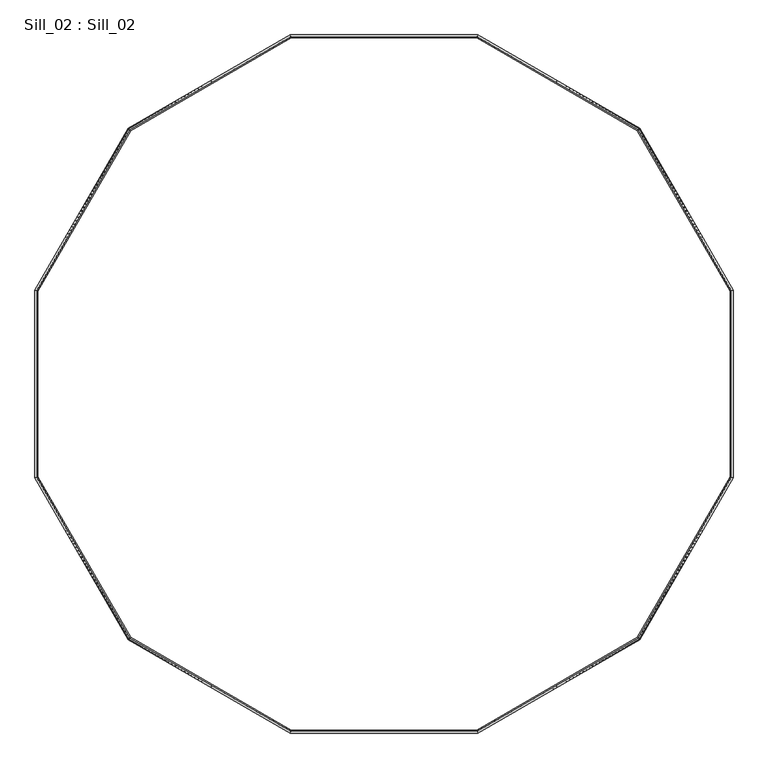
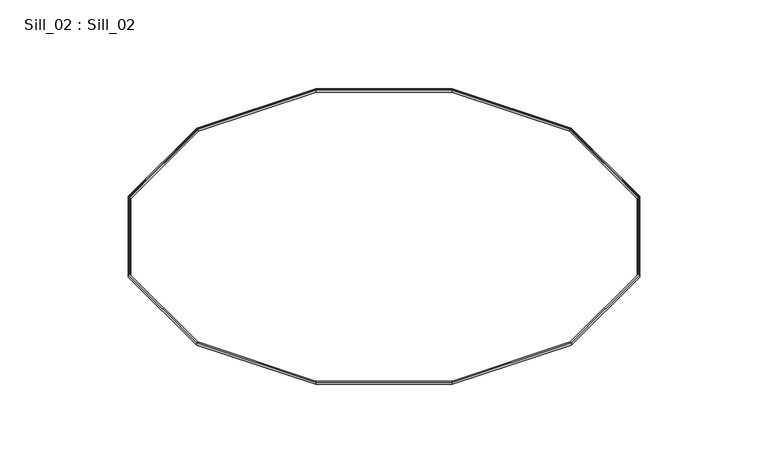
"""IFC4 building model written with IfcOpenShell, lengths in millimetres: proxy geometry, Sill_02 : Sill_02."""

from ifc_helpers import new_model, si_unit, origin, place, context, project, spatial, faceted_brep, source, transform, mapped, element, save


def sill_02_sill_02_0bf58cab(model_context):
    return source(origin(), model_context, "Body", "Brep", [
        faceted_brep([(9762.5163466, 10756.5888744, -2.4637485), (9762.5163466, 10756.5888744, -107.5866884), (5390.5852311, 8232.453268, -107.5866884), (5390.5852311, 8232.453268, -2.4637485), (9774.4734994, 10711.9641726, 14.0246943), (5423.2527801, 8199.785719, 14.0246943), (9775.5493293, 10707.9491206, 1.9760696), (5426.1920021, 8196.8464969, 1.9760696), (9767.4782812, 10738.0706824, -8.0615603), (5404.1414884, 8218.8970106, -8.0615603), (9769.9203975, 10728.95658, -35.4117417), (5410.8134745, 8212.2250246, -35.4117417), (9774.7612359, 10710.8903254, -29.3913906), (5424.0388908, 8198.9996083, -29.3913906), (9775.0969491, 10709.6374267, -33.1511693), (5424.9560763, 8198.0824228, -33.1511693), (9777.5199299, 10700.5947392, -30.1378079), (5431.5757829, 8191.4627161, -30.1378079), (9783.0432041, 10679.9815994, -91.9950363), (5446.6656486, 8176.3728504, -91.9950363), (9770.5062829, 10726.7700263, -107.5866884), (5412.4141429, 8210.6243561, -107.5866884), (2866.4496247, 3860.5221524, -107.5866884), (2866.4496247, 3860.5221524, -2.4637485), (2911.0743264, 3848.5649996, 14.0246943), (2915.0893784, 3847.4891697, 1.9760696), (2884.9678166, 3855.5602179, -8.0615603), (2894.081919, 3853.1181015, -35.4117417), (2912.1481736, 3848.2772632, -29.3913906), (2913.4010724, 3847.94155, -33.1511693), (2922.4437598, 3845.5185692, -30.1378079), (2943.0568996, 3839.995295, -91.9950363), (2896.2684727, 3852.5322162, -107.5866884), (2866.4496247, -1187.7490604, -107.5866884), (2866.4496247, -1187.7490604, -2.4637485), (2911.0743264, -1175.7919076, 14.0246943), (2915.0893784, -1174.7160777, 1.9760696), (2884.9678166, -1182.7871258, -8.0615603), (2894.081919, -1180.3450094, -35.4117417), (2912.1481736, -1175.5041711, -29.3913906), (2913.4010724, -1175.1684579, -33.1511693), (2922.4437598, -1172.7454771, -30.1378079), (2943.0568996, -1167.2222029, -91.9950363), (2896.2684727, -1179.7591241, -107.5866884), (5390.5852311, -5559.6801759, -107.5866884), (5390.5852311, -5559.6801759, -2.4637485), (5423.2527801, -5527.0126269, 14.0246943), (5426.1920021, -5524.0734049, 1.9760696), (5404.1414884, -5546.1239185, -8.0615603), (5410.8134745, -5539.4519325, -35.4117417), (5424.0388908, -5526.2265162, -29.3913906), (5424.9560763, -5525.3093307, -33.1511693), (5431.5757829, -5518.689624, -30.1378079), (5446.6656486, -5503.5997584, -91.9950363), (5412.4141429, -5537.8512641, -107.5866884), (9762.5163466, -8083.8157823, -107.5866884), (9762.5163466, -8083.8157823, -2.4637485), (9774.4734994, -8039.1910805, 14.0246943), (9775.5493293, -8035.1760286, 1.9760696), (9767.4782812, -8065.2975904, -8.0615603), (9769.9203975, -8056.183488, -35.4117417), (9774.7612359, -8038.1172334, -29.3913906), (9775.0969491, -8036.8643346, -33.1511693), (9777.5199299, -8027.8216472, -30.1378079), (9783.0432041, -8007.2085073, -91.9950363), (9770.5062829, -8053.9969342, -107.5866884), (14810.7875594, -8083.8157823, -107.5866884), (14810.7875594, -8083.8157823, -2.4637485), (14798.8304066, -8039.1910805, 14.0246943), (14797.7545767, -8035.1760286, 1.9760696), (14805.8256249, -8065.2975904, -8.0615603), (14803.3835085, -8056.183488, -35.4117417), (14798.5426701, -8038.1172334, -29.3913906), (14798.2069569, -8036.8643346, -33.1511693), (14795.7839761, -8027.8216472, -30.1378079), (14790.260702, -8007.2085073, -91.9950363), (14802.7976232, -8053.9969342, -107.5866884), (19182.7186749, -5559.6801759, -107.5866884), (19182.7186749, -5559.6801759, -2.4637485), (19150.051126, -5527.0126269, 14.0246943), (19147.1119039, -5524.0734049, 1.9760696), (19169.1624176, -5546.1239185, -8.0615603), (19162.4904316, -5539.4519325, -35.4117417), (19149.2650153, -5526.2265162, -29.3913906), (19148.3478297, -5525.3093307, -33.1511693), (19141.7281231, -5518.689624, -30.1378079), (19126.6382574, -5503.5997584, -91.9950363), (19160.8897631, -5537.8512641, -107.5866884), (21706.8542814, -1187.7490604, -107.5866884), (21706.8542814, -1187.7490604, -2.4637485), (21662.2295796, -1175.7919076, 14.0246943), (21658.2145276, -1174.7160777, 1.9760696), (21688.3360894, -1182.7871258, -8.0615603), (21679.221987, -1180.3450094, -35.4117417), (21661.1557324, -1175.5041711, -29.3913906), (21659.9028337, -1175.1684579, -33.1511693), (21650.8601462, -1172.7454771, -30.1378079), (21630.2470064, -1167.2222029, -91.9950363), (21677.0354333, -1179.7591241, -107.5866884), (21706.8542814, 3860.5221524, -107.5866884), (21706.8542814, 3860.5221524, -2.4637485), (21662.2295796, 3848.5649996, 14.0246943), (21658.2145276, 3847.4891697, 1.9760696), (21688.3360894, 3855.5602179, -8.0615603), (21679.221987, 3853.1181015, -35.4117417), (21661.1557324, 3848.2772632, -29.3913906), (21659.9028337, 3847.94155, -33.1511693), (21650.8601462, 3845.5185692, -30.1378079), (21630.2470064, 3839.995295, -91.9950363), (21677.0354333, 3852.5322162, -107.5866884), (19182.7186749, 8232.453268, -107.5866884), (19182.7186749, 8232.453268, -2.4637485), (19150.051126, 8199.785719, 14.0246943), (19147.1119039, 8196.8464969, 1.9760696), (19169.1624176, 8218.8970106, -8.0615603), (19162.4904316, 8212.2250246, -35.4117417), (19149.2650153, 8198.9996083, -29.3913906), (19148.3478297, 8198.0824228, -33.1511693), (19141.7281231, 8191.4627161, -30.1378079), (19126.6382574, 8176.3728504, -91.9950363), (19160.8897631, 8210.6243561, -107.5866884), (14810.7875594, 10756.5888744, -107.5866884), (14810.7875594, 10756.5888744, -2.4637485), (14798.8304066, 10711.9641726, 14.0246943), (14797.7545767, 10707.9491206, 1.9760696), (14805.8256249, 10738.0706824, -8.0615603), (14803.3835085, 10728.95658, -35.4117417), (14798.5426701, 10710.8903254, -29.3913906), (14798.2069569, 10709.6374267, -33.1511693), (14795.7839761, 10700.5947392, -30.1378079), (14790.260702, 10679.9815994, -91.9950363), (14802.7976232, 10726.7700263, -107.5866884)], [[[0, 1, 2, 3]], [[4, 0, 3, 5]], [[6, 4, 5, 7]], [[8, 6, 7, 9]], [[10, 8, 9, 11]], [[12, 10, 11, 13]], [[14, 12, 13, 15]], [[16, 14, 15, 17]], [[18, 16, 17, 19]], [[20, 18, 19, 21]], [[3, 2, 22, 23]], [[5, 3, 23, 24]], [[7, 5, 24, 25]], [[9, 7, 25, 26]], [[11, 9, 26, 27]], [[13, 11, 27, 28]], [[15, 13, 28, 29]], [[17, 15, 29, 30]], [[19, 17, 30, 31]], [[21, 19, 31, 32]], [[23, 22, 33, 34]], [[24, 23, 34, 35]], [[25, 24, 35, 36]], [[26, 25, 36, 37]], [[27, 26, 37, 38]], [[28, 27, 38, 39]], [[29, 28, 39, 40]], [[30, 29, 40, 41]], [[31, 30, 41, 42]], [[32, 31, 42, 43]], [[34, 33, 44, 45]], [[35, 34, 45, 46]], [[36, 35, 46, 47]], [[37, 36, 47, 48]], [[38, 37, 48, 49]], [[39, 38, 49, 50]], [[40, 39, 50, 51]], [[41, 40, 51, 52]], [[42, 41, 52, 53]], [[43, 42, 53, 54]], [[45, 44, 55, 56]], [[46, 45, 56, 57]], [[47, 46, 57, 58]], [[48, 47, 58, 59]], [[49, 48, 59, 60]], [[50, 49, 60, 61]], [[51, 50, 61, 62]], [[52, 51, 62, 63]], [[53, 52, 63, 64]], [[54, 53, 64, 65]], [[56, 55, 66, 67]], [[57, 56, 67, 68]], [[58, 57, 68, 69]], [[59, 58, 69, 70]], [[60, 59, 70, 71]], [[61, 60, 71, 72]], [[62, 61, 72, 73]], [[63, 62, 73, 74]], [[64, 63, 74, 75]], [[65, 64, 75, 76]], [[67, 66, 77, 78]], [[68, 67, 78, 79]], [[69, 68, 79, 80]], [[70, 69, 80, 81]], [[71, 70, 81, 82]], [[72, 71, 82, 83]], [[73, 72, 83, 84]], [[74, 73, 84, 85]], [[75, 74, 85, 86]], [[76, 75, 86, 87]], [[78, 77, 88, 89]], [[79, 78, 89, 90]], [[80, 79, 90, 91]], [[81, 80, 91, 92]], [[82, 81, 92, 93]], [[83, 82, 93, 94]], [[84, 83, 94, 95]], [[85, 84, 95, 96]], [[86, 85, 96, 97]], [[87, 86, 97, 98]], [[89, 88, 99, 100]], [[90, 89, 100, 101]], [[91, 90, 101, 102]], [[92, 91, 102, 103]], [[93, 92, 103, 104]], [[94, 93, 104, 105]], [[95, 94, 105, 106]], [[96, 95, 106, 107]], [[97, 96, 107, 108]], [[98, 97, 108, 109]], [[100, 99, 110, 111]], [[101, 100, 111, 112]], [[102, 101, 112, 113]], [[103, 102, 113, 114]], [[104, 103, 114, 115]], [[105, 104, 115, 116]], [[106, 105, 116, 117]], [[107, 106, 117, 118]], [[108, 107, 118, 119]], [[109, 108, 119, 120]], [[111, 110, 121, 122]], [[112, 111, 122, 123]], [[113, 112, 123, 124]], [[114, 113, 124, 125]], [[115, 114, 125, 126]], [[116, 115, 126, 127]], [[117, 116, 127, 128]], [[118, 117, 128, 129]], [[119, 118, 129, 130]], [[120, 119, 130, 131]], [[122, 121, 1, 0]], [[123, 122, 0, 4]], [[124, 123, 4, 6]], [[125, 124, 6, 8]], [[126, 125, 8, 10]], [[127, 126, 10, 12]], [[128, 127, 12, 14]], [[129, 128, 14, 16]], [[130, 129, 16, 18]], [[131, 130, 18, 20]], [[1, 121, 110, 99, 88, 77, 66, 55, 44, 33, 22, 2], [109, 120, 131, 20, 21, 32, 43, 54, 65, 76, 87, 98]]]),
    ])


if __name__ == "__main__":
    model = new_model("IFC4")
    model_context = context("Model", 3, world=origin())
    ifc_project = project(units=[si_unit("LENGTHUNIT", "METRE", prefix="MILLI")], contexts=[model_context])
    site = spatial("IfcSite", under=ifc_project)
    building = spatial("IfcBuilding", under=site)
    placement = place(None, origin())
    sill_02_sill_02_shape = sill_02_sill_02_0bf58cab(model_context)
    element("IfcBuildingElementProxy", 1, Name="Sill_02 : Sill_02", ObjectType="Sill_02 : Sill_02", at=placement, inside=building, context=model_context, shape_type="MappedRepresentation", body=[
        mapped(sill_02_sill_02_shape, transform((0.0, 0.0, 0.0), x_axis=(1.0, 0.0, 0.0), y_axis=(0.0, 1.0, 0.0), z_axis=(0.0, 0.0, 1.0))),
    ])
    save(model, "model.ifc")
